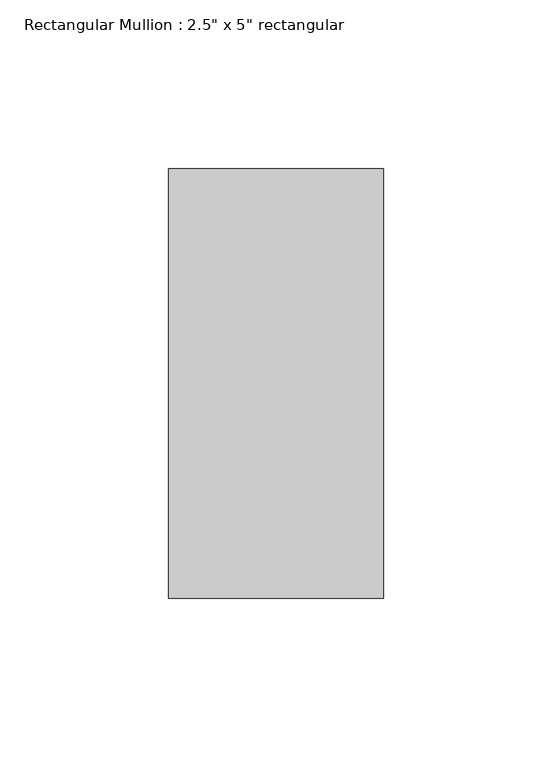
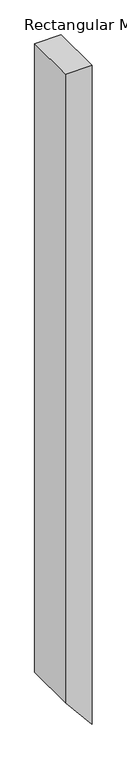
"""IFC4 building model written with IfcOpenShell, lengths in millimetres: member geometry."""

from ifc_helpers import new_model, si_unit, frame, origin, place, context, project, spatial, polyline, outline, extrude, source, transform, mapped, element, save


def member_57c4a7b9(model_context):
    return source(origin(), model_context, "Body", "SweptSolid", [
        extrude(outline(polyline([(0.0, 0.0), (0.0, -63.5), (-1588.7553587, -63.5), (-1666.0035601, 0.0), (0.0, 0.0)])), frame((0.0, -63.5, 0.0), z_axis=(0.0, 1.0, 0.0), x_axis=(0.0, 0.0, 1.0)), (0.0, 0.0, 1.0), 127.0),
    ])


if __name__ == "__main__":
    model = new_model("IFC4")
    model_context = context("Model", 3, world=origin())
    ifc_project = project(units=[si_unit("LENGTHUNIT", "METRE", prefix="MILLI")], contexts=[model_context])
    site = spatial("IfcSite", under=ifc_project)
    building = spatial("IfcBuilding", under=site)
    placement = place(None, origin())
    member_shape = member_57c4a7b9(model_context)
    element("IfcMember", 1, ObjectType="Rectangular Mullion : 2.5\" x 5\" rectangular", at=placement, inside=building, context=model_context, shape_type="MappedRepresentation", body=[
        mapped(member_shape, transform((0.0, 0.0, 0.0), x_axis=(1.0, 0.0, 0.0), y_axis=(0.0, 1.0, 0.0), z_axis=(0.0, 0.0, 1.0))),
    ])
    save(model, "model.ifc")
